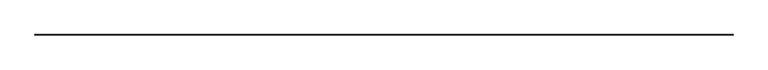
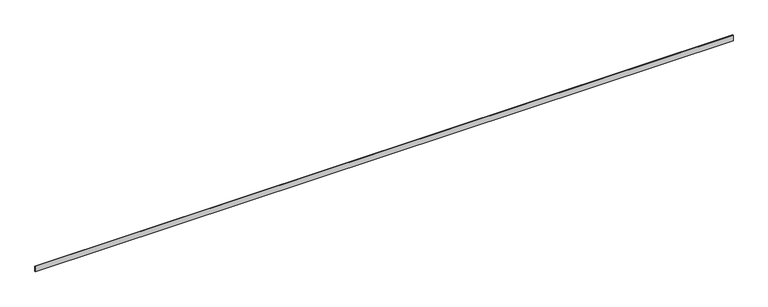
"""IFC4 building model written with IfcOpenShell, lengths in millimetres: furniture geometry."""

from ifc_helpers import new_model, si_unit, origin, origin_with_axes, place, context, project, spatial, polyline, outline, extrude, source, transform, mapped, element, save


def furniture_745866cf(model_context):
    return source(origin(), model_context, "Body", "SweptSolid", [
        extrude(outline(polyline([(0.0, 0.0), (0.0, 10.0), (12275.4421619, 10.0), (12275.4421619, 0.0), (0.0, 0.0)])), origin_with_axes(), (0.0, 0.0, 1.0), 100.0),
    ])


if __name__ == "__main__":
    model = new_model("IFC4")
    model_context = context("Model", 3, world=origin())
    ifc_project = project(units=[si_unit("LENGTHUNIT", "METRE", prefix="MILLI")], contexts=[model_context])
    site = spatial("IfcSite", under=ifc_project)
    building = spatial("IfcBuilding", under=site)
    placement = place(None, origin())
    furniture_shape = furniture_745866cf(model_context)
    element("IfcFurniture", 1, at=placement, inside=building, context=model_context, shape_type="MappedRepresentation", body=[
        mapped(furniture_shape, transform((0.0, 0.0, 0.0), x_axis=(1.0, 0.0, 0.0), y_axis=(0.0, 1.0, 0.0), z_axis=(0.0, 0.0, 1.0))),
    ])
    save(model, "model.ifc")
